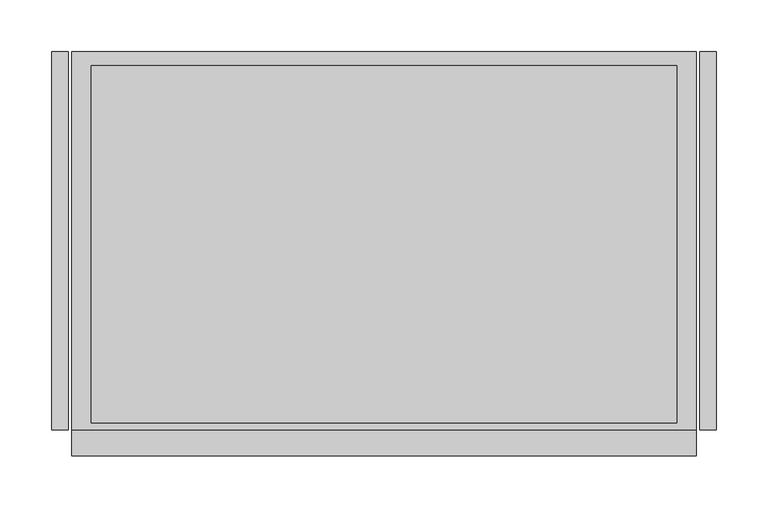
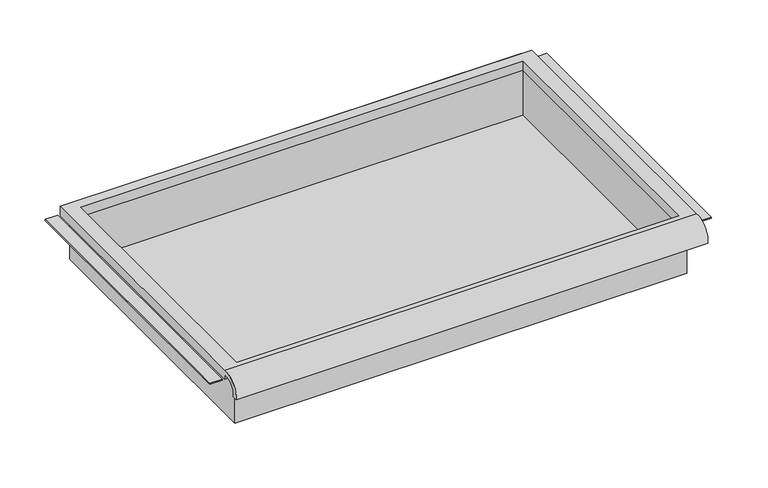
"""IFC4 building model written with IfcOpenShell, lengths in millimetres: furniture geometry."""

from ifc_helpers import new_model, si_unit, frame, origin, place, context, project, spatial, polyline, circle_curve, faceted_brep, source, transform, mapped, element, save
from ifc_brep_helpers import plane_surface, cylinder_surface, revolved_surface, advanced_brep


def furniture_f324ccc2(model_context):
    return source(origin(), model_context, "Body", "SolidModel", [
        advanced_brep(
        [(305.0224999, -195.297482, 812.0035683), (305.0224999, -188.9125, 812.0035683), (305.0224999, -169.8625, 830.2650415), (305.0224999, -169.8625, 823.91504), (305.0224999, 195.2625, 823.91504), (305.0224999, 195.2625, 836.6150415), (305.0224999, -169.8625, 836.6150415), (-298.2275001, -195.297482, 812.0035683), (-298.2275001, -169.8625, 836.6150415), (-298.2275001, 195.2625, 836.6150415), (-298.2275001, 195.2625, 823.91504), (-298.2275001, -169.8625, 823.91504), (-298.2275001, -169.8625, 830.2650415), (-298.2275001, -188.9125, 812.0035683), (285.9725003, 181.9275, 823.91504), (-279.1775005, 181.9275, 823.91504), (-279.1775005, -163.5125, 823.91504), (285.9725003, -163.5125, 823.91504), (-279.1775005, 181.9275, 836.6150415), (285.9725003, 181.9275, 836.6150415), (285.9725003, -163.5125, 836.6150415), (-279.1775005, -163.5125, 836.6150415)],
        [
            (0, 1),
            (1, 2, circle_curve(frame((305.0224999, -172.3404634, 813.7829787), z_axis=(-1.0, 0.0, 0.0), x_axis=(0.0, 1.0, 0.0)), 16.6672942)),
            (2, 3),
            (3, 4),
            (4, 5),
            (5, 6),
            (6, 0, circle_curve(frame((305.0224999, -172.4601678, 813.8508687), z_axis=(1.0, 0.0, 0.0), x_axis=(0.0, 1.0, 0.0)), 22.9119061)),
            (7, 8, circle_curve(frame((-298.2275001, -172.4601678, 813.8508687), z_axis=(-1.0, 0.0, 0.0), x_axis=(0.0, 1.0, 0.0)), 22.9119061)),
            (8, 9),
            (9, 10),
            (10, 11),
            (11, 12),
            (12, 13, circle_curve(frame((-298.2275001, -172.3404634, 813.7829787), z_axis=(1.0, 0.0, 0.0), x_axis=(0.0, 1.0, 0.0)), 16.6672942)),
            (13, 7),
            (0, 7),
            (13, 1),
            (12, 2),
            (11, 3),
            (10, 4),
            (14, 15),
            (15, 16),
            (16, 17),
            (17, 14),
            (9, 5),
            (8, 6),
            (18, 19),
            (19, 20),
            (20, 21),
            (21, 18),
            (14, 19),
            (18, 15),
            (21, 16),
            (20, 17),
        ],
        [
            plane_surface(frame((305.0224999, -195.297482, 812.0035683), z_axis=(1.0, 0.0, 0.0), x_axis=(0.0, 1.0, 0.0))),
            plane_surface(frame((-298.2275001, -195.297482, 812.0035683), z_axis=(-1.0, 0.0, 0.0), x_axis=(0.0, -1.0, 0.0))),
            plane_surface(frame((305.0224999, -195.297482, 812.0035683), z_axis=(0.0, 0.0, -1.0), x_axis=(-1.0, 0.0, 0.0))),
            revolved_surface(polyline([(-298.2275001, -155.67316920000002, 813.7829787), (305.0224999, -155.67316920000002, 813.7829787)]), (-298.2275001, -172.3404634, 813.7829787), (-1.0, 0.0, 0.0)),
            plane_surface(frame((305.0224999, -169.8625, 830.2650415), z_axis=(0.0, -1.0, 1.5027975278352726e-12), x_axis=(-1.0, 0.0, 0.0))),
            plane_surface(frame((305.0224999, -169.8625, 823.91504), z_axis=(0.0, 0.0, -1.0), x_axis=(-1.0, 0.0, 0.0))),
            plane_surface(frame((305.0224999, 195.2625, 823.91504), z_axis=(0.0, 1.0, 0.0), x_axis=(-1.0, 0.0, 0.0))),
            plane_surface(frame((305.0224999, 195.2625, 836.6150415), z_axis=(0.0, 0.0, 1.0), x_axis=(-1.0, 0.0, 0.0))),
            cylinder_surface(frame((-298.2275001, -172.4601678, 813.8508687), z_axis=(1.0, 0.0, 0.0), x_axis=(0.0, 1.0, 0.0)), 22.9119061),
            plane_surface(frame((285.9725003, 181.9275, 836.6150415), z_axis=(0.0, -1.0, 0.0), x_axis=(0.0, 0.0, -1.0))),
            plane_surface(frame((-279.1775005, 181.9275, 836.6150415), z_axis=(1.0, 0.0, 0.0), x_axis=(0.0, 0.0, -1.0))),
            plane_surface(frame((-279.1775005, -163.5125, 836.6150415), z_axis=(0.0, 1.0, 0.0), x_axis=(0.0, 0.0, -1.0))),
            plane_surface(frame((285.9725003, -163.5125, 836.6150415), z_axis=(-1.0, 0.0, 0.0), x_axis=(0.0, 0.0, -1.0))),
        ],
        [
            (0, [[1, 2, 3, 4, 5, 6, 7]]),
            (1, [[8, 9, 10, 11, 12, 13, 14]]),
            (2, [[-1, 15, -14, 16]]),
            (3, [[-2, -16, -13, 17]]),
            (4, [[-3, -17, -12, 18]]),
            (5, [[-4, -18, -11, 19], [20, 21, 22, 23]]),
            (6, [[-5, -19, -10, 24]]),
            (7, [[-6, -24, -9, 25], [26, 27, 28, 29]]),
            (8, [[-7, -25, -8, -15]]),
            (9, [[30, -26, 31, -20]]),
            (10, [[-31, -29, 32, -21]]),
            (11, [[-32, -28, 33, -22]]),
            (12, [[-30, -23, -33, -27]]),
        ],
    ),
        faceted_brep([(-285.5275005, -169.8625, 760.4150415), (292.3225003, -169.8625, 760.4150415), (292.3225003, -169.8625, 836.6150415), (-285.5275005, -169.8625, 836.6150415), (-285.5275005, 195.2625, 760.4150415), (-285.5275005, 195.2625, 836.6150415), (292.3225003, 195.2625, 836.6150415), (292.3225003, 195.2625, 760.4150415), (-279.1775005, 181.9275, 836.6150415), (285.9725003, 181.9275, 836.6150415), (285.9725003, -163.5125, 836.6150415), (-279.1775005, -163.5125, 836.6150415), (285.9725003, 181.9275, 763.4412134), (-279.1775005, 181.9275, 763.4412134), (-279.1775005, -163.5125, 763.4412134), (285.9725003, -163.5125, 763.4412134)], [[[0, 1, 2, 3]], [[4, 5, 6, 7]], [[1, 0, 4, 7]], [[2, 1, 7, 6]], [[3, 2, 6, 5], [8, 9, 10, 11]], [[0, 3, 5, 4]], [[12, 13, 14, 15]], [[13, 12, 9, 8]], [[14, 13, 8, 11]], [[15, 14, 11, 10]], [[12, 15, 10, 9]]]),
        faceted_brep([(-317.2774997, 195.2625, 823.91504), (-317.2774997, 195.2625, 825.50254), (-301.4025001, 195.2625, 825.50254), (-301.4025001, 195.2625, 823.91504), (-317.2774997, -169.8625, 823.91504), (-301.4025001, -169.8625, 823.91504), (-301.4025001, -169.8625, 825.50254), (-317.2774997, -169.8625, 825.50254)], [[[0, 1, 2, 3]], [[4, 5, 6, 7]], [[1, 0, 4, 7]], [[2, 1, 7, 6]], [[3, 2, 6, 5]], [[0, 3, 5, 4]]]),
        faceted_brep([(324.0725245, 195.2625, 823.91504), (308.1974999, 195.2625, 823.91504), (308.1974999, 195.2625, 825.50254), (324.0725245, 195.2625, 825.50254), (324.0725245, -169.8625, 823.91504), (324.0725245, -169.8625, 825.50254), (308.1974999, -169.8625, 825.50254), (308.1974999, -169.8625, 823.91504)], [[[0, 1, 2, 3]], [[4, 5, 6, 7]], [[1, 0, 4, 7]], [[2, 1, 7, 6]], [[3, 2, 6, 5]], [[0, 3, 5, 4]]]),
    ])


if __name__ == "__main__":
    model = new_model("IFC4")
    model_context = context("Model", 3, world=origin())
    ifc_project = project(units=[si_unit("LENGTHUNIT", "METRE", prefix="MILLI")], contexts=[model_context])
    site = spatial("IfcSite", under=ifc_project)
    building = spatial("IfcBuilding", under=site)
    placement = place(None, origin())
    furniture_shape = furniture_f324ccc2(model_context)
    element("IfcFurniture", 1, at=placement, inside=building, context=model_context, shape_type="MappedRepresentation", body=[
        mapped(furniture_shape, transform((0.0, 0.0, 0.0), x_axis=(1.0, 0.0, 0.0), y_axis=(0.0, 1.0, 0.0), z_axis=(0.0, 0.0, 1.0))),
    ])
    save(model, "model.ifc")
